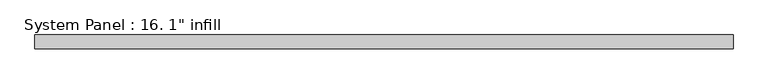
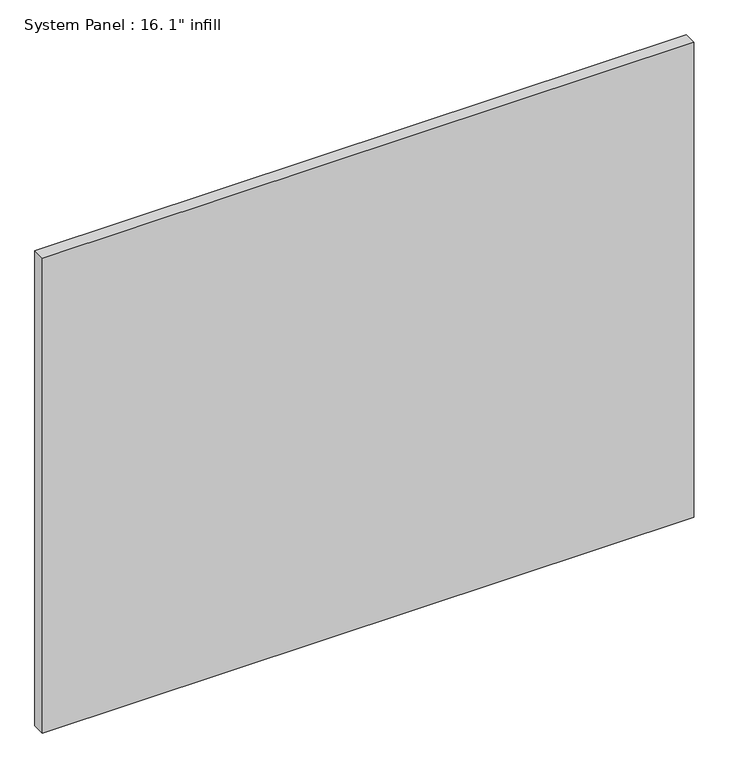
"""IFC4 building model written with IfcOpenShell, lengths in millimetres: plate geometry."""

from ifc_helpers import new_model, si_unit, origin, origin_with_axes, place, context, project, spatial, polyline, outline, extrude, source, transform, mapped, element, save


def plate_3fd1846f(model_context):
    return source(origin(), model_context, "Body", "SweptSolid", [
        extrude(outline(polyline([(638.175, -12.7), (-638.175, -12.7), (-638.175, 12.7), (638.175, 12.7), (638.175, -12.7)])), origin_with_axes(), (0.0, 0.0, 1.0), 984.25),
    ])


if __name__ == "__main__":
    model = new_model("IFC4")
    model_context = context("Model", 3, world=origin())
    ifc_project = project(units=[si_unit("LENGTHUNIT", "METRE", prefix="MILLI")], contexts=[model_context])
    site = spatial("IfcSite", under=ifc_project)
    building = spatial("IfcBuilding", under=site)
    placement = place(None, origin())
    plate_shape = plate_3fd1846f(model_context)
    element("IfcPlate", 1, ObjectType="System Panel : 16. 1\" infill", at=placement, inside=building, context=model_context, shape_type="MappedRepresentation", body=[
        mapped(plate_shape, transform((0.0, 0.0, 0.0), x_axis=(1.0, 0.0, 0.0), y_axis=(0.0, 1.0, 0.0), z_axis=(0.0, 0.0, 1.0))),
    ])
    save(model, "model.ifc")
